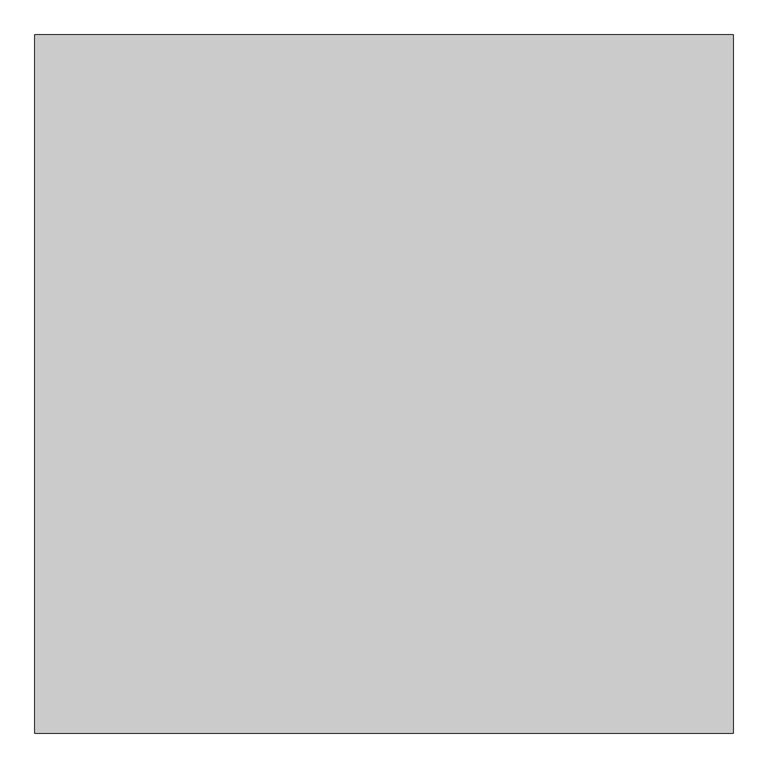
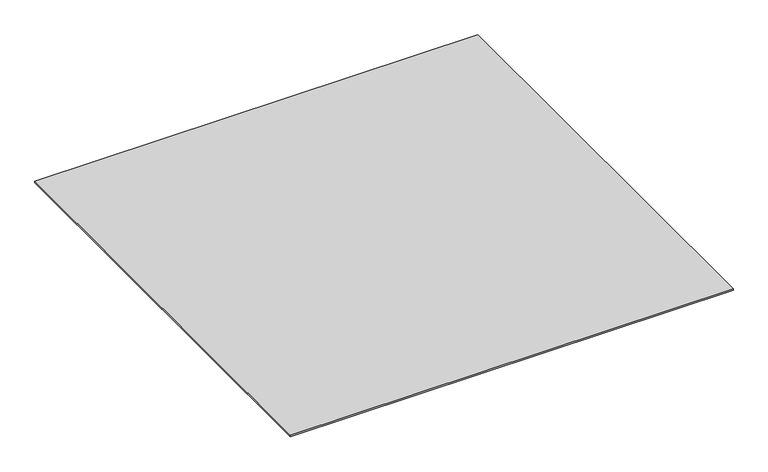
"""IFC4 building model written with IfcOpenShell, lengths in millimetres: proxy geometry."""

from ifc_helpers import new_model, si_unit, origin, origin_with_axes, place, context, project, spatial, polyline, outline, extrude, source, transform, mapped, element, save


def generic_models_af6f3b01(model_context):
    return source(origin(), model_context, "Body", "SweptSolid", [
        extrude(outline(polyline([(7444.603672, -30778.0478908), (7444.603672, -31778.0478908), (6444.603672, -31778.0478908), (6444.603672, -30778.0478908), (7444.603672, -30778.0478908)])), origin_with_axes(), (0.0, 0.0, 1.0), 3.0),
    ])


if __name__ == "__main__":
    model = new_model("IFC4")
    model_context = context("Model", 3, world=origin())
    ifc_project = project(units=[si_unit("LENGTHUNIT", "METRE", prefix="MILLI")], contexts=[model_context])
    site = spatial("IfcSite", under=ifc_project)
    building = spatial("IfcBuilding", under=site)
    placement = place(None, origin())
    generic_models_shape = generic_models_af6f3b01(model_context)
    element("IfcBuildingElementProxy", 1, Name="Generic Models", at=placement, inside=building, context=model_context, shape_type="MappedRepresentation", body=[
        mapped(generic_models_shape, transform((0.0, 0.0, 0.0), x_axis=(1.0, 0.0, 0.0), y_axis=(0.0, 1.0, 0.0), z_axis=(0.0, 0.0, 1.0))),
    ])
    save(model, "model.ifc")
